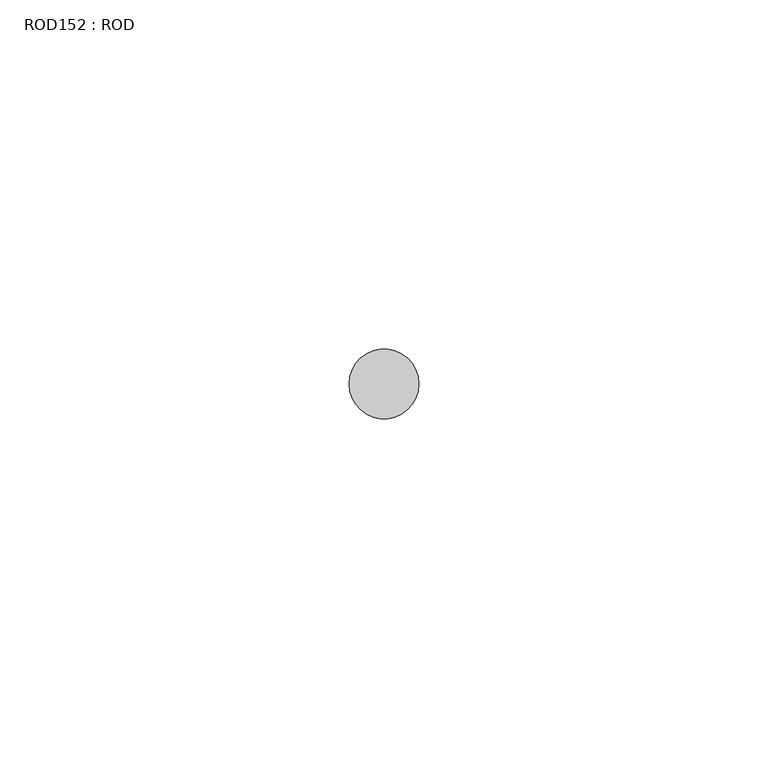
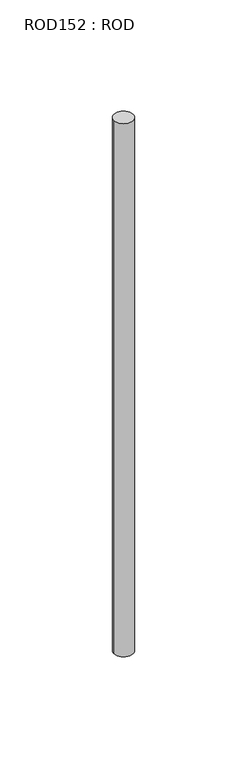
"""IFC4 building model written with IfcOpenShell, lengths in millimetres: proxy geometry, ROD152 : ROD."""

from ifc_helpers import new_model, si_unit, point, frame, frame_2d, origin, place, context, project, spatial, circle_curve, trimmed, segment, composite_curve, outline, extrude, source, transform, mapped, element, save


def rod152_rod_12ad6bc7(model_context):
    return source(origin(), model_context, "Body", "SweptSolid", [
        extrude(outline(composite_curve([segment(trimmed(circle_curve(frame_2d((-3500.2326676, -21766.6028424)), 5.0), [point((-3505.2326676, -21766.6028424))], [point((-3495.2326676, -21766.6028424))], False, "CARTESIAN"), True, "CONTINUOUS"), segment(trimmed(circle_curve(frame_2d((-3500.2326676, -21766.6028424)), 5.0), [point((-3495.2326676, -21766.6028424))], [point((-3505.2326676, -21766.6028424))], False, "CARTESIAN"), True, "CONTINUOUS")], self_intersect=False)), frame((0.0, 0.0, 166.3391155), z_axis=(0.0, 0.0, 1.0), x_axis=(1.0, 0.0, 0.0)), (0.0, 0.0, 1.0), 298.9028972),
    ])


if __name__ == "__main__":
    model = new_model("IFC4")
    model_context = context("Model", 3, world=origin())
    ifc_project = project(units=[si_unit("LENGTHUNIT", "METRE", prefix="MILLI")], contexts=[model_context])
    site = spatial("IfcSite", under=ifc_project)
    building = spatial("IfcBuilding", under=site)
    placement = place(None, origin())
    rod152_rod_shape = rod152_rod_12ad6bc7(model_context)
    element("IfcBuildingElementProxy", 1, Name="ROD152 : ROD", ObjectType="ROD152 : ROD", at=placement, inside=building, context=model_context, shape_type="MappedRepresentation", body=[
        mapped(rod152_rod_shape, transform((0.0, 0.0, 0.0), x_axis=(1.0, 0.0, 0.0), y_axis=(0.0, 1.0, 0.0), z_axis=(0.0, 0.0, 1.0))),
    ])
    save(model, "model.ifc")
